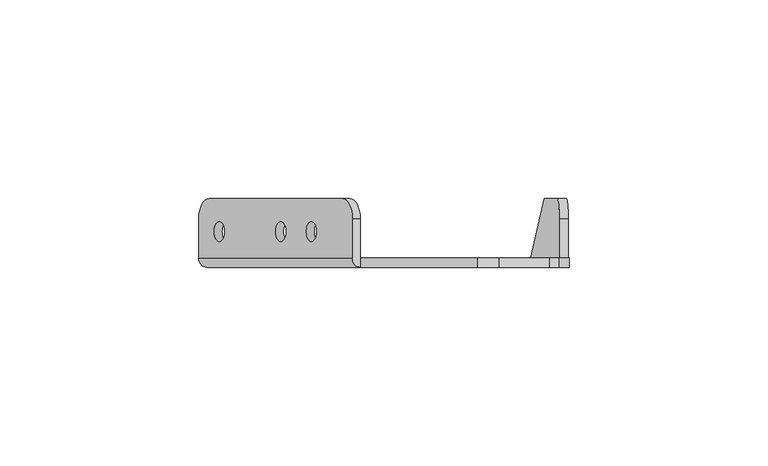
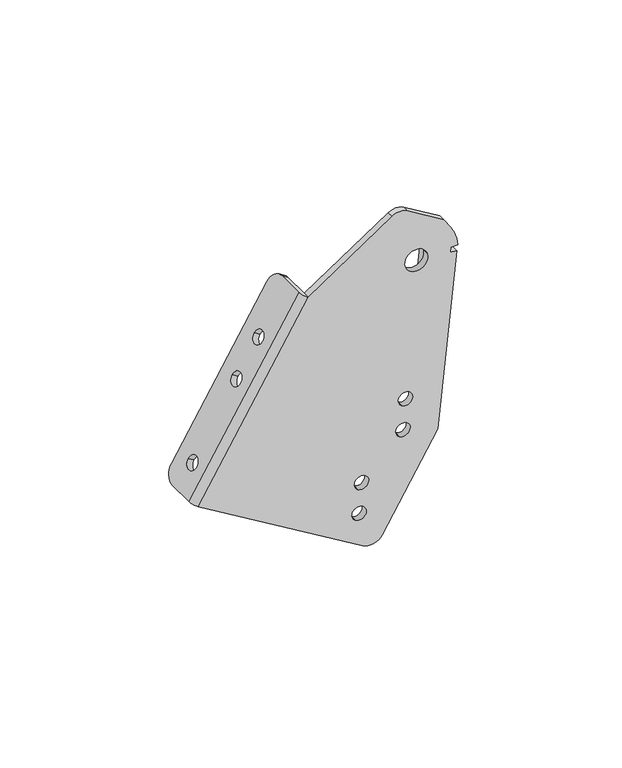
"""IFC4 building model written with IfcOpenShell, lengths in millimetres: proxy geometry."""

from ifc_helpers import new_model, si_unit, frame, origin, place, context, project, spatial, polyline, circle_curve, source, transform, mapped, element, save
from ifc_brep_helpers import plane_surface, cylinder_surface, revolved_surface, advanced_brep


def mechanical_equipment_cb89195e(model_context):
    return source(origin(), model_context, "Body", "AdvancedBrep", [
        advanced_brep(
        [(-99.3365544, 11.2499985, -87.1921561), (-96.761364, 16.2499985, -82.9063196), (-63.2838891, 16.2499985, -27.1904451), (-60.7086988, 11.2499985, -22.9046086), (-60.7086988, 1.2499985, -22.9046086), (-99.3365544, 1.2499985, -87.1921561), (-94.1861736, 10.4499985, -78.6204831), (-94.1861736, 5.4499985, -78.6204831), (-78.7350314, 10.4499985, -52.9054641), (-78.7350314, 5.4499985, -52.9054641), (-71.0094603, 10.4499985, -40.0479546), (-71.0094603, 5.4499985, -40.0479546), (-62.6801836, 11.2499985, -21.720021), (-65.2553739, 16.2499985, -26.0058575), (-98.7328488, 16.2499985, -81.7217321), (-101.3080392, 11.2499985, -86.0075686), (-101.3080392, 1.2499985, -86.0075686), (-62.6801836, 1.2499985, -21.720021), (-96.1576584, 10.4499985, -77.4358956), (-96.1576584, 5.4499985, -77.4358956), (-80.7065162, 10.4499985, -51.7208765), (-80.7065162, 5.4499985, -51.7208765), (-72.9809451, 10.4499985, -38.863367), (-72.9809451, 5.4499985, -38.863367), (-25.8087267, -1.0500015, -3.0424585), (-31.1608959, -1.0500015, -3.1703642), (-60.7086988, -1.0500015, -22.9046086), (-99.3365544, -1.0500015, -87.1921561), (-41.4777616, -1.0500015, -121.9572262), (-34.6167347, -1.0500015, -120.2465801), (-15.0603265, -1.0500015, -87.6992511), (-8.3604711, -1.0500015, -23.9543853), (-10.6478715, -1.0500015, -23.7139699), (-10.4586784, -1.0500015, -21.9139178), (-8.1350927, -1.0500015, -21.8100525), (-10.5995831, -1.0500015, -14.3492654), (-13.0587308, -1.0500015, -10.7034289), (-18.739445, -1.0500015, -21.4898749), (-26.5018108, -1.0500015, -23.4252501), (-44.0437308, -1.0500015, -111.6656859), (-41.4685404, -1.0500015, -107.3798494), (-43.1791865, -1.0500015, -100.5188225), (-40.6039962, -1.0500015, -96.232986), (-28.5925885, -1.0500015, -85.9506669), (-26.0173982, -1.0500015, -81.6648303), (-27.7280443, -1.0500015, -74.8038035), (-25.1528539, -1.0500015, -70.517967), (-41.4777616, 1.2499985, -121.9572262), (-25.8087267, 1.2499985, -3.0424585), (-13.0587308, 1.2499985, -10.7034289), (-10.5995831, 1.2499985, -14.3492654), (-8.1350927, 1.2499985, -21.8100525), (-10.4586784, 1.2499985, -21.9139178), (-10.6478715, 1.2499985, -23.7139699), (-17.8065115, 1.2499985, -91.8238803), (-17.8632995, 1.2499985, -92.3641815), (-34.6167347, 1.2499985, -120.2465801), (-31.1608959, 1.2499985, -3.1703642), (-18.739445, 1.2499985, -21.4898749), (-26.5018108, 1.2499985, -23.4252501), (-44.0437308, 1.2499985, -111.6656859), (-41.4685404, 1.2499985, -107.3798494), (-43.1791865, 1.2499985, -100.5188225), (-40.6039962, 1.2499985, -96.232986), (-28.5925885, 1.2499985, -85.9506669), (-26.0173982, 1.2499985, -81.6648303), (-27.7280443, 1.2499985, -74.8038035), (-25.1528539, 1.2499985, -70.517967), (-17.8632995, 0.9966641, -92.3641815), (-15.0603265, 3.2966641, -87.6992511), (-12.156681, 16.2499985, -60.0729095), (-8.8831134, 16.2499985, -28.9269948), (-8.3604711, 11.2499985, -23.9543853), (-10.6478715, 11.2499985, -23.7139699), (-11.1705138, 16.2499985, -28.6865793), (-14.4440813, 16.2499985, -59.832494)],
        [
            (0, 1, circle_curve(frame((-96.761364, 11.2499985, -82.9063196), z_axis=(0.8571673007021119, 0.0, -0.5150380749100552), x_axis=(0.0, -1.0, 0.0)), 5.0)),
            (1, 2),
            (2, 3, circle_curve(frame((-63.2838891, 11.2499985, -27.1904451), z_axis=(0.8571673007021119, 0.0, -0.5150380749100552), x_axis=(0.0, -1.0, 0.0)), 5.0)),
            (3, 4),
            (4, 5),
            (5, 0),
            (6, 7, circle_curve(frame((-94.1861736, 7.9499985, -78.6204831), z_axis=(-0.8571673007021119, 0.0, 0.5150380749100552), x_axis=(0.0, -1.0, 0.0)), 2.5)),
            (7, 6, circle_curve(frame((-94.1861736, 7.9499985, -78.6204831), z_axis=(-0.8571673007021119, 0.0, 0.5150380749100552), x_axis=(0.0, -1.0, 0.0)), 2.5)),
            (8, 9, circle_curve(frame((-78.7350314, 7.9499985, -52.9054641), z_axis=(-0.8571673007021119, 0.0, 0.5150380749100552), x_axis=(0.0, -1.0, 0.0)), 2.5)),
            (9, 8, circle_curve(frame((-78.7350314, 7.9499985, -52.9054641), z_axis=(-0.8571673007021119, 0.0, 0.5150380749100552), x_axis=(0.0, -1.0, 0.0)), 2.5)),
            (10, 11, circle_curve(frame((-71.0094603, 7.9499985, -40.0479546), z_axis=(-0.8571673007021119, 0.0, 0.5150380749100552), x_axis=(0.0, -1.0, 0.0)), 2.5)),
            (11, 10, circle_curve(frame((-71.0094603, 7.9499985, -40.0479546), z_axis=(-0.8571673007021119, 0.0, 0.5150380749100552), x_axis=(0.0, -1.0, 0.0)), 2.5)),
            (12, 13, circle_curve(frame((-65.2553739, 11.2499985, -26.0058575), z_axis=(-0.8571673007021119, 0.0, 0.5150380749100552), x_axis=(0.0, -1.0, 0.0)), 5.0)),
            (13, 14),
            (14, 15, circle_curve(frame((-98.7328488, 11.2499985, -81.7217321), z_axis=(-0.8571673007021119, 0.0, 0.5150380749100552), x_axis=(0.0, -1.0, 0.0)), 5.0)),
            (15, 16),
            (16, 17),
            (17, 12),
            (18, 19, circle_curve(frame((-96.1576584, 7.9499985, -77.4358956), z_axis=(0.8571673007021119, 0.0, -0.5150380749100552), x_axis=(0.0, -1.0, 0.0)), 2.5)),
            (19, 18, circle_curve(frame((-96.1576584, 7.9499985, -77.4358956), z_axis=(0.8571673007021119, 0.0, -0.5150380749100552), x_axis=(0.0, -1.0, 0.0)), 2.5)),
            (20, 21, circle_curve(frame((-80.7065162, 7.9499985, -51.7208765), z_axis=(0.8571673007021119, 0.0, -0.5150380749100552), x_axis=(0.0, -1.0, 0.0)), 2.5)),
            (21, 20, circle_curve(frame((-80.7065162, 7.9499985, -51.7208765), z_axis=(0.8571673007021119, 0.0, -0.5150380749100552), x_axis=(0.0, -1.0, 0.0)), 2.5)),
            (22, 23, circle_curve(frame((-72.9809451, 7.9499985, -38.863367), z_axis=(0.8571673007021119, 0.0, -0.5150380749100552), x_axis=(0.0, -1.0, 0.0)), 2.5)),
            (23, 22, circle_curve(frame((-72.9809451, 7.9499985, -38.863367), z_axis=(0.8571673007021119, 0.0, -0.5150380749100552), x_axis=(0.0, -1.0, 0.0)), 2.5)),
            (24, 25, circle_curve(frame((-28.3839171, -1.0500015, -7.328295), z_axis=(0.0, -1.0, 0.0), x_axis=(0.5150380749100568, 0.0, 0.8571673007021109)), 5.0)),
            (25, 26),
            (26, 27),
            (27, 28),
            (28, 29, circle_curve(frame((-38.9025712, -1.0500015, -117.6713897), z_axis=(0.0, -1.0, 0.0), x_axis=(0.5150380749100568, 0.0, 0.8571673007021109)), 5.0)),
            (29, 30),
            (30, 31),
            (31, 32),
            (32, 33),
            (33, 34),
            (34, 35, circle_curve(frame((-22.6206279, -1.0500015, -22.4575625), z_axis=(0.0, -1.0, 0.0), x_axis=(0.9702957262759975, 0.0, 0.24192189559966465)), 14.5)),
            (35, 36),
            (36, 24),
            (37, 38, circle_curve(frame((-22.6206279, -1.0500015, -22.4575625), z_axis=(0.0, 1.0, 0.0), x_axis=(0.9702957262759975, 0.0, 0.24192189559966465)), 4.0)),
            (38, 37, circle_curve(frame((-22.6206279, -1.0500015, -22.4575625), z_axis=(0.0, 1.0, 0.0), x_axis=(0.9702957262759975, 0.0, 0.24192189559966465)), 4.0)),
            (39, 40, circle_curve(frame((-42.7561356, -1.0500015, -109.5227676), z_axis=(0.0, 1.0, 0.0), x_axis=(0.5150380749100568, 0.0, 0.8571673007021109)), 2.5)),
            (40, 39, circle_curve(frame((-42.7561356, -1.0500015, -109.5227676), z_axis=(0.0, 1.0, 0.0), x_axis=(0.5150380749100568, 0.0, 0.8571673007021109)), 2.5)),
            (41, 42, circle_curve(frame((-41.8915914, -1.0500015, -98.3759042), z_axis=(0.0, 1.0, 0.0), x_axis=(0.5150380749100568, 0.0, 0.8571673007021109)), 2.5)),
            (42, 41, circle_curve(frame((-41.8915914, -1.0500015, -98.3759042), z_axis=(0.0, 1.0, 0.0), x_axis=(0.5150380749100568, 0.0, 0.8571673007021109)), 2.5)),
            (43, 44, circle_curve(frame((-27.3049934, -1.0500015, -83.8077486), z_axis=(0.0, 1.0, 0.0), x_axis=(0.5150380749100568, 0.0, 0.8571673007021109)), 2.5)),
            (44, 43, circle_curve(frame((-27.3049934, -1.0500015, -83.8077486), z_axis=(0.0, 1.0, 0.0), x_axis=(0.5150380749100568, 0.0, 0.8571673007021109)), 2.5)),
            (45, 46, circle_curve(frame((-26.4404491, -1.0500015, -72.6608852), z_axis=(0.0, 1.0, 0.0), x_axis=(0.5150380749100568, 0.0, 0.8571673007021109)), 2.5)),
            (46, 45, circle_curve(frame((-26.4404491, -1.0500015, -72.6608852), z_axis=(0.0, 1.0, 0.0), x_axis=(0.5150380749100568, 0.0, 0.8571673007021109)), 2.5)),
            (15, 0),
            (5, 47),
            (47, 28),
            (27, 16, circle_curve(frame((-99.3365544, 1.2499985, -87.1921561), z_axis=(-0.5150380749100552, 0.0, -0.8571673007021119), x_axis=(0.8571673007021119, 0.0, -0.5150380749100552)), 2.3)),
            (14, 1),
            (13, 2),
            (12, 3),
            (17, 26, circle_curve(frame((-60.7086988, 1.2499985, -22.9046086), z_axis=(0.5150380749100552, 0.0, 0.8571673007021119), x_axis=(0.8571673007021119, 0.0, -0.5150380749100552)), 2.3)),
            (26, 4),
            (6, 18),
            (19, 7),
            (8, 20),
            (21, 9),
            (10, 22),
            (23, 11),
            (48, 49),
            (49, 50),
            (50, 51, circle_curve(frame((-22.6206279, 1.2499985, -22.4575625), z_axis=(0.0, 1.0, 0.0), x_axis=(0.9702957262759975, 0.0, 0.24192189559966465)), 14.5)),
            (51, 52),
            (52, 53),
            (53, 54),
            (54, 55),
            (55, 56),
            (56, 47, circle_curve(frame((-38.9025712, 1.2499985, -117.6713897), z_axis=(0.0, 1.0, 0.0), x_axis=(0.5150380749100568, 0.0, 0.8571673007021109)), 5.0)),
            (4, 57),
            (57, 48, circle_curve(frame((-28.3839171, 1.2499985, -7.328295), z_axis=(0.0, 1.0, 0.0), x_axis=(0.5150380749100568, 0.0, 0.8571673007021109)), 5.0)),
            (58, 59, circle_curve(frame((-22.6206279, 1.2499985, -22.4575625), z_axis=(0.0, -1.0, 0.0), x_axis=(0.9702957262759975, 0.0, 0.24192189559966465)), 4.0)),
            (59, 58, circle_curve(frame((-22.6206279, 1.2499985, -22.4575625), z_axis=(0.0, -1.0, 0.0), x_axis=(0.9702957262759975, 0.0, 0.24192189559966465)), 4.0)),
            (60, 61, circle_curve(frame((-42.7561356, 1.2499985, -109.5227676), z_axis=(0.0, -1.0, 0.0), x_axis=(0.5150380749100568, 0.0, 0.8571673007021109)), 2.5)),
            (61, 60, circle_curve(frame((-42.7561356, 1.2499985, -109.5227676), z_axis=(0.0, -1.0, 0.0), x_axis=(0.5150380749100568, 0.0, 0.8571673007021109)), 2.5)),
            (62, 63, circle_curve(frame((-41.8915914, 1.2499985, -98.3759042), z_axis=(0.0, -1.0, 0.0), x_axis=(0.5150380749100568, 0.0, 0.8571673007021109)), 2.5)),
            (63, 62, circle_curve(frame((-41.8915914, 1.2499985, -98.3759042), z_axis=(0.0, -1.0, 0.0), x_axis=(0.5150380749100568, 0.0, 0.8571673007021109)), 2.5)),
            (64, 65, circle_curve(frame((-27.3049934, 1.2499985, -83.8077486), z_axis=(0.0, -1.0, 0.0), x_axis=(0.5150380749100568, 0.0, 0.8571673007021109)), 2.5)),
            (65, 64, circle_curve(frame((-27.3049934, 1.2499985, -83.8077486), z_axis=(0.0, -1.0, 0.0), x_axis=(0.5150380749100568, 0.0, 0.8571673007021109)), 2.5)),
            (66, 67, circle_curve(frame((-26.4404491, 1.2499985, -72.6608852), z_axis=(0.0, -1.0, 0.0), x_axis=(0.5150380749100568, 0.0, 0.8571673007021109)), 2.5)),
            (67, 66, circle_curve(frame((-26.4404491, 1.2499985, -72.6608852), z_axis=(0.0, -1.0, 0.0), x_axis=(0.5150380749100568, 0.0, 0.8571673007021109)), 2.5)),
            (37, 58),
            (59, 38),
            (24, 48),
            (57, 25),
            (56, 29),
            (55, 68),
            (68, 69),
            (69, 30),
            (33, 52),
            (51, 34),
            (50, 35),
            (49, 36),
            (39, 60),
            (61, 40),
            (41, 62),
            (63, 42),
            (43, 64),
            (65, 44),
            (45, 66),
            (67, 46),
            (54, 68),
            (32, 53),
            (70, 71),
            (71, 72, circle_curve(frame((-8.8831134, 11.2499985, -28.9269948), z_axis=(0.9945218953682735, 0.0, -0.10452846326765308), x_axis=(-0.04417563744874628, 0.9063077870360066, -0.4203031146849777)), 5.0)),
            (72, 31),
            (69, 70),
            (73, 74, circle_curve(frame((-11.1705138, 11.2499985, -28.6865793), z_axis=(-0.9945218953682735, 0.0, 0.10452846326765308), x_axis=(-0.04417563744874628, 0.9063077870360066, -0.4203031146849777)), 5.0)),
            (74, 75),
            (75, 54),
            (53, 73),
            (75, 70),
            (74, 71),
            (73, 72),
        ],
        [
            plane_surface(frame((-42.6823661, -1.0500015, 7.0962469), z_axis=(0.8571673007021119, 0.0, -0.5150380749100552), x_axis=(-0.5150380749100552, 0.0, -0.8571673007021119))),
            plane_surface(frame((-44.6538509, -1.0500015, 8.2808345), z_axis=(-0.8571673007021119, 0.0, 0.5150380749100552), x_axis=(0.5150380749100552, 0.0, 0.8571673007021119))),
            plane_surface(frame((-60.7086988, -1.0500015, -22.9046086), z_axis=(0.0, -1.0000000000000002, 0.0), x_axis=(-0.8571673007021119, 0.0, 0.5150380749100552))),
            plane_surface(frame((-99.3365544, -1.0500015, -87.1921561), z_axis=(-0.5150380749100552, 0.0, -0.8571673007021119), x_axis=(-0.8571673007021119, 0.0, 0.5150380749100552))),
            cylinder_surface(frame((-98.7328488, 11.2499985, -81.7217321), z_axis=(0.8571673007021119, 0.0, -0.5150380749100552), x_axis=(0.0, -1.0, 0.0)), 5.0),
            plane_surface(frame((-96.761364, 16.2499985, -82.9063196), z_axis=(0.0, 1.0000000000000002, 0.0), x_axis=(-0.8571673007021119, 0.0, 0.5150380749100552))),
            cylinder_surface(frame((-65.2553739, 11.2499985, -26.0058575), z_axis=(0.8571673007021119, 0.0, -0.5150380749100552), x_axis=(0.0, -1.0, 0.0)), 5.0),
            plane_surface(frame((-60.7086988, 11.2499985, -22.9046086), z_axis=(0.5150380749100552, 0.0, 0.8571673007021119), x_axis=(-0.8571673007021119, 0.0, 0.5150380749100552))),
            revolved_surface(polyline([(-96.15765841405901, 5.4499985, -77.43589562339811), (-94.18617364819882, 5.4499985, -78.62048318021628)]), (-66.3282364, 7.9499985, -95.3592206), (-0.8571673007021119, 0.0, 0.5150380749100552)),
            revolved_surface(polyline([(-80.70651618753259, 5.4499985, -51.720876479250734), (-78.73503137752502, 5.4499985, -52.90546406259533)]), (-50.8770941, 7.9499985, -69.6442015), (-0.8571673007021119, 0.0, 0.5150380749100552)),
            revolved_surface(polyline([(-72.9809450875326, 5.4499985, -38.86336697925074), (-71.00946027752502, 5.4499985, -40.04795456259533)]), (-43.151523, 7.9499985, -56.786692), (-0.8571673007021119, 0.0, 0.5150380749100552)),
            plane_surface(frame((-18.739445, 1.2499985, -21.4898749), z_axis=(0.0, 1.0000000000000002, 0.0), x_axis=(-0.2419218955996645, 0.0, 0.9702957262759974))),
            revolved_surface(polyline([(-18.739444994896008, 1.2499985, -21.489874917601345), (-18.739444994896008, -1.0500014999999998, -21.489874917601345)]), (-22.6206279, 1.2499985, -22.4575625), (0.0, 1.0, 0.0)),
            cylinder_surface(frame((-28.3839171, 1.2499985, -7.328295), z_axis=(0.0, -1.0, 0.0), x_axis=(0.5150380749100568, 0.0, 0.8571673007021109)), 5.0),
            cylinder_surface(frame((-38.9025712, 1.2499985, -117.6713897), z_axis=(0.0, -1.0, 0.0), x_axis=(0.5150380749100568, 0.0, 0.8571673007021109)), 5.0),
            plane_surface(frame((-34.6167347, -1.0500015, -120.2465801), z_axis=(0.8571673007021037, 0.0, -0.5150380749100687), x_axis=(0.0, 1.0, 0.0))),
            plane_surface(frame((-10.4586784, -1.0500015, -21.9139178), z_axis=(0.04465586179179143, 0.0, -0.9990024294302956), x_axis=(0.0, 1.0, 0.0))),
            cylinder_surface(frame((-22.6206279, 1.2499985, -22.4575625), z_axis=(0.0, -1.0, 0.0), x_axis=(0.9702957262759975, 0.0, 0.24192189559966465)), 14.5),
            plane_surface(frame((-10.5995831, -1.0500015, -14.3492654), z_axis=(0.8290375725551101, 0.0, 0.5591929034706455), x_axis=(0.0, 1.0, 0.0))),
            plane_surface(frame((-13.0587308, -1.0500015, -10.7034289), z_axis=(0.5150380749100527, 0.0, 0.8571673007021133), x_axis=(0.0, 1.0, 0.0))),
            revolved_surface(polyline([(-41.468540412724856, 1.2499985, -107.37984934824472), (-41.468540412724856, -1.0500014999999998, -107.37984934824472)]), (-42.7561356, 1.2499985, -109.5227676), (0.0, 1.0, 0.0)),
            revolved_surface(polyline([(-40.60399621272486, 1.2499985, -96.23298594824472), (-40.60399621272486, -1.0500014999999998, -96.23298594824472)]), (-41.8915914, 1.2499985, -98.3759042), (0.0, 1.0, 0.0)),
            revolved_surface(polyline([(-26.01739821272486, 1.2499985, -81.66483034824472), (-26.01739821272486, -1.0500014999999998, -81.66483034824472)]), (-27.3049934, 1.2499985, -83.8077486), (0.0, 1.0, 0.0)),
            revolved_surface(polyline([(-25.152853912724858, 1.2499985, -70.51796694824472), (-25.152853912724858, -1.0500014999999998, -70.51796694824472)]), (-26.4404491, 1.2499985, -72.6608852), (0.0, 1.0, 0.0)),
            plane_surface(frame((-17.8632995, -1.0500015, -92.3641815), z_axis=(0.9945218953682735, 0.0, -0.1045284632676532), x_axis=(0.0, 1.0, 0.0))),
            plane_surface(frame((-31.1608959, -1.0500015, -3.1703642), z_axis=(-0.5553957642884956, 0.0, 0.8315861621085322), x_axis=(0.0, 1.0, 0.0))),
            plane_surface(frame((-15.5191112, -1.0500015, -92.0642958), z_axis=(0.9945218953682734, 0.0, -0.104528463267653), x_axis=(-0.104528463267653, 0.0, -0.9945218953682734))),
            plane_surface(frame((-17.8065115, -1.0500015, -91.8238803), z_axis=(-0.9945218953682734, 0.0, 0.104528463267653), x_axis=(0.104528463267653, 0.0, 0.9945218953682734))),
            plane_surface(frame((-16.0346838, -1.0500015, -96.9696417), z_axis=(-0.044175637448745766, 0.9063077870360068, -0.42030311468497783), x_axis=(-0.9945218953682736, 0.0, 0.10452846326765175))),
            plane_surface(frame((-12.156681, 16.2499985, -60.0729095), z_axis=(0.0, 1.0000000000000002, 0.0), x_axis=(-0.9945218953682734, 0.0, 0.10452846326765419))),
            cylinder_surface(frame((-11.1705138, 11.2499985, -28.6865793), z_axis=(0.9945218953682735, 0.0, -0.10452846326765308), x_axis=(-0.04417563744874628, 0.9063077870360066, -0.4203031146849777)), 5.0),
            plane_surface(frame((-8.3604711, 11.2499985, -23.9543853), z_axis=(0.10452846326765175, 1.4450666034502738e-12, 0.9945218953682736), x_axis=(-0.9945218953682736, 0.0, 0.10452846326765175))),
            cylinder_surface(frame((-60.7086988, 1.2499985, -22.9046086), z_axis=(-0.5150380749100552, 0.0, -0.8571673007021119), x_axis=(0.8571673007021119, 0.0, -0.5150380749100552)), 2.3),
        ],
        [
            (0, [[1, 2, 3, 4, 5, 6], [7, 8], [9, 10], [11, 12]]),
            (1, [[13, 14, 15, 16, 17, 18], [19, 20], [21, 22], [23, 24]]),
            (2, [[25, 26, 27, 28, 29, 30, 31, 32, 33, 34, 35, 36, 37], [38, 39], [40, 41], [42, 43], [44, 45], [46, 47]]),
            (3, [[48, -6, 49, 50, -28, 51, -16]]),
            (4, [[-1, -48, -15, 52]]),
            (5, [[-2, -52, -14, 53]]),
            (6, [[-3, -53, -13, 54]]),
            (7, [[-54, -18, 55, 56, -4]]),
            (8, [[-7, 57, -20, 58]]),
            (8, [[-8, -58, -19, -57]]),
            (9, [[-9, 59, -22, 60]]),
            (9, [[-10, -60, -21, -59]]),
            (10, [[-11, 61, -24, 62]]),
            (10, [[-12, -62, -23, -61]]),
            (11, [[63, 64, 65, 66, 67, 68, 69, 70, 71, -49, -5, 72, 73], [74, 75], [76, 77], [78, 79], [80, 81], [82, 83]]),
            (12, [[-38, 84, -75, 85]]),
            (12, [[-39, -85, -74, -84]]),
            (13, [[-25, 86, -73, 87]]),
            (14, [[-29, -50, -71, 88]]),
            (15, [[-30, -88, -70, 89, 90, 91]]),
            (16, [[-34, 92, -66, 93]]),
            (17, [[-35, -93, -65, 94]]),
            (18, [[-36, -94, -64, 95]]),
            (19, [[-37, -95, -63, -86]]),
            (20, [[-40, 96, -77, 97]]),
            (20, [[-41, -97, -76, -96]]),
            (21, [[-42, 98, -79, 99]]),
            (21, [[-43, -99, -78, -98]]),
            (22, [[-44, 100, -81, 101]]),
            (22, [[-45, -101, -80, -100]]),
            (23, [[-46, 102, -83, 103]]),
            (23, [[-47, -103, -82, -102]]),
            (24, [[-69, 104, -89]]),
            (24, [[-92, -33, 105, -67]]),
            (25, [[-26, -87, -72, -56]]),
            (26, [[106, 107, 108, -31, -91, 109]]),
            (27, [[110, 111, 112, -68, 113]]),
            (28, [[114, -109, -90, -104, -112]]),
            (29, [[-106, -114, -111, 115]]),
            (30, [[-107, -115, -110, 116]]),
            (31, [[-108, -116, -113, -105, -32]]),
            (32, [[-17, -51, -27, -55]]),
        ],
    ),
    ])


if __name__ == "__main__":
    model = new_model("IFC4")
    model_context = context("Model", 3, world=origin())
    ifc_project = project(units=[si_unit("LENGTHUNIT", "METRE", prefix="MILLI")], contexts=[model_context])
    site = spatial("IfcSite", under=ifc_project)
    building = spatial("IfcBuilding", under=site)
    placement = place(None, origin())
    mechanical_equipment_shape = mechanical_equipment_cb89195e(model_context)
    element("IfcBuildingElementProxy", 1, Name="Mechanical Equipment", at=placement, inside=building, context=model_context, shape_type="MappedRepresentation", body=[
        mapped(mechanical_equipment_shape, transform((0.0, 0.0, 0.0), x_axis=(1.0, 0.0, 0.0), y_axis=(0.0, 1.0, 0.0), z_axis=(0.0, 0.0, 1.0))),
    ])
    save(model, "model.ifc")
